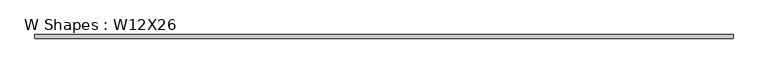
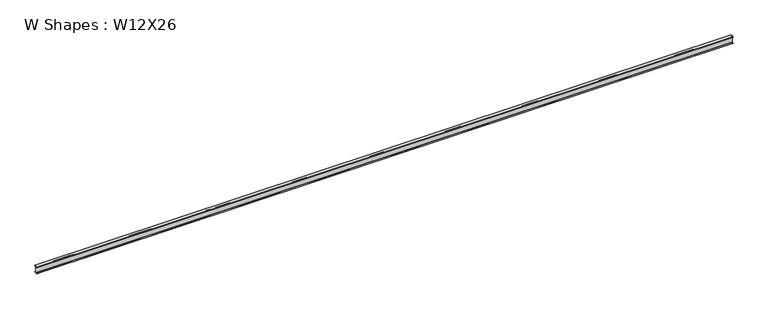
"""IFC4 building model written with IfcOpenShell, lengths in millimetres: beam geometry, W Shapes : W12X26."""

import ifcopenshell
import ifcopenshell.guid

model = None  # the IFC model being written
_history = None  # IfcOwnerHistory: only IFC2X3 demands one
_inside = {}  # id of a spatial element -> (the spatial element, [elements in it])
_under = {}  # id of a project, library or spatial element -> (it, [spatial elements below it])
_declared = {}  # id of a project -> (the project, [libraries it declares])
_typed = {}  # id of a type object -> (the type object, [elements of that type])
_made_of = {}  # id of a material, layer set ... -> (it, [elements and type objects made of it])


def new_model(schema):
    """Start an empty IFC model of exactly this schema.

    Asked for "IFC4X3", IfcOpenShell would pick the latest addendum, in which some entities
    have other attributes; the version numbers below select the first issue.
    IFC2X3 requires an IfcOwnerHistory on every rooted entity: one is made here for all.
    """
    global model, _history
    if schema == "IFC4X3":
        model = ifcopenshell.file(schema_version=(4, 3, 0, 0))
    else:
        model = ifcopenshell.file(schema=schema)
    _inside.clear()
    _under.clear()
    _declared.clear()
    _typed.clear()
    _made_of.clear()
    _history = None
    if model.schema == "IFC2X3":
        org = make("IfcOrganization", Name="unknown")
        user = make(
            "IfcPersonAndOrganization",
            ThePerson=make("IfcPerson", FamilyName="unknown"),
            TheOrganization=org,
        )
        app = make(
            "IfcApplication",
            ApplicationDeveloper=org,
            Version="unknown",
            ApplicationFullName="unknown",
            ApplicationIdentifier="unknown",
        )
        _history = make(
            "IfcOwnerHistory",
            OwningUser=user,
            OwningApplication=app,
            ChangeAction="ADDED",
            CreationDate=0,
        )
    return model


def make(cls, **values):
    """One entity of the class cls with the attributes given. An attribute that is None is left unset."""
    return model.create_entity(
        cls, **{name: value for name, value in values.items() if value is not None}
    )


def rooted(cls, **values):
    """An entity with a GlobalId (a new one), such as an element, a storey or a relation."""
    return make(cls, GlobalId=ifcopenshell.guid.new(), OwnerHistory=_history, **values)


def si_unit(unit_type, name, prefix=None):
    """IfcSIUnit, for example si_unit("LENGTHUNIT", "METRE", prefix="MILLI")."""
    return make("IfcSIUnit", UnitType=unit_type, Prefix=prefix, Name=name)


def assignment(units):
    """IfcUnitAssignment: the units of a project."""
    return None if units is None else make("IfcUnitAssignment", Units=units)


def point(xyz):
    """IfcCartesianPoint."""
    return None if xyz is None else make("IfcCartesianPoint", Coordinates=xyz)


def direction(xyz):
    """IfcDirection."""
    return None if xyz is None else make("IfcDirection", DirectionRatios=xyz)


def frame(location, z_axis=None, x_axis=None):
    """IfcAxis2Placement3D, a coordinate frame: its origin and axes. An axis left out is left unset."""
    return make(
        "IfcAxis2Placement3D",
        Location=point(location),
        Axis=direction(z_axis),
        RefDirection=direction(x_axis),
    )


def frame_2d(location, x_axis=None):
    """IfcAxis2Placement2D, a coordinate frame in the plane: its origin and x axis."""
    return make(
        "IfcAxis2Placement2D", Location=point(location), RefDirection=direction(x_axis)
    )


def origin():
    """The frame at (0, 0, 0) with its axes left unset."""
    return frame((0.0, 0.0, 0.0))


def place(relative_to, where):
    """IfcLocalPlacement: puts the frame where relative to a parent placement (None: the world)."""
    return make(
        "IfcLocalPlacement", PlacementRelTo=relative_to, RelativePlacement=where
    )


def context(
    kind, dimensions, precision=None, world=None, true_north=None, identifier=None
):
    """IfcGeometricRepresentationContext, for example the 3D "Model" context."""
    return make(
        "IfcGeometricRepresentationContext",
        ContextIdentifier=identifier,
        ContextType=kind,
        CoordinateSpaceDimension=dimensions,
        Precision=precision,
        WorldCoordinateSystem=world,
        TrueNorth=true_north,
    )


def project(units=None, contexts=None):
    """IfcProject with its units and contexts."""
    return rooted(
        "IfcProject",
        Name="project",
        RepresentationContexts=contexts,
        UnitsInContext=assignment(units),
    )


def spatial(cls, under=None, at=None, **own):
    """A site, building, storey or space (cls), placed at a placement, below another one or the project."""
    s = rooted(cls, ObjectPlacement=at, **own)
    if under is not None:
        _under.setdefault(under.id(), (under, []))[1].append(s)
    return s


def polyline(points):
    """IfcPolyline through the points."""
    return make("IfcPolyline", Points=[point(p) for p in points])


def circle_curve(where, radius):
    """IfcCircle in the frame where."""
    return make("IfcCircle", Position=where, Radius=radius)


def trimmed(basis, trim1, trim2, sense, master):
    """IfcTrimmedCurve: the piece of a basis curve between two trims."""
    return make(
        "IfcTrimmedCurve",
        BasisCurve=basis,
        Trim1=trim1,
        Trim2=trim2,
        SenseAgreement=sense,
        MasterRepresentation=master,
    )


def segment(curve, same_sense, transition):
    """IfcCompositeCurveSegment."""
    return make(
        "IfcCompositeCurveSegment",
        Transition=transition,
        SameSense=same_sense,
        ParentCurve=curve,
    )


def composite_curve(segments, self_intersect=None):
    """IfcCompositeCurve: segments joined end to end."""
    return make("IfcCompositeCurve", Segments=segments, SelfIntersect=self_intersect)


def outline(outer, holes=None, kind="AREA"):
    """IfcArbitraryClosedProfileDef: a profile drawn as a closed curve; with holes, ...WithVoids."""
    if holes is None:
        return make("IfcArbitraryClosedProfileDef", ProfileType=kind, OuterCurve=outer)
    return make(
        "IfcArbitraryProfileDefWithVoids",
        ProfileType=kind,
        OuterCurve=outer,
        InnerCurves=holes,
    )


def extrude(swept, where, along, depth):
    """IfcExtrudedAreaSolid: the profile swept, set in the frame where, extruded along a direction by depth."""
    return make(
        "IfcExtrudedAreaSolid",
        SweptArea=swept,
        Position=where,
        ExtrudedDirection=direction(along),
        Depth=depth,
    )


def shape(context_of_items, identifier, shape_type, items):
    """IfcShapeRepresentation: the items that make up one representation, for example the "Body"."""
    return make(
        "IfcShapeRepresentation",
        ContextOfItems=context_of_items,
        RepresentationIdentifier=identifier,
        RepresentationType=shape_type,
        Items=items,
    )


def source(mapping_origin, context_of_items, identifier, shape_type, items):
    """IfcRepresentationMap: a shape defined once, which mapped items show again and again."""
    return make(
        "IfcRepresentationMap",
        MappingOrigin=mapping_origin,
        MappedRepresentation=shape(context_of_items, identifier, shape_type, items),
    )


def transform(
    local_origin,
    x_axis=None,
    y_axis=None,
    z_axis=None,
    scale=None,
    scale2=None,
    scale3=None,
    uniform=True,
):
    """IfcCartesianTransformationOperator3D, or its non-uniform kind. x_axis, y_axis, z_axis: its Axis1, 2, 3."""
    if uniform:
        return make(
            "IfcCartesianTransformationOperator3D",
            Axis1=direction(x_axis),
            Axis2=direction(y_axis),
            LocalOrigin=point(local_origin),
            Scale=scale,
            Axis3=direction(z_axis),
        )
    return make(
        "IfcCartesianTransformationOperator3DnonUniform",
        Axis1=direction(x_axis),
        Axis2=direction(y_axis),
        LocalOrigin=point(local_origin),
        Scale=scale,
        Axis3=direction(z_axis),
        Scale2=scale2,
        Scale3=scale3,
    )


def mapped(mapping_source, mapping_target):
    """IfcMappedItem: shows the shape of a source again, moved by a transform."""
    return make(
        "IfcMappedItem", MappingSource=mapping_source, MappingTarget=mapping_target
    )


def made_of(thing, what):
    """Note that an element or type object is made of a material, layer set ...; save() writes the relation."""
    if what is not None:
        _made_of.setdefault(what.id(), (what, []))[1].append(thing)
    return thing


def element(
    cls,
    number,
    at=None,
    inside=None,
    cuts=None,
    type_object=None,
    material=None,
    context=None,
    identifier="Body",
    shape_type=None,
    held_by="IfcProductDefinitionShape",
    body=None,
    shapes=None,
    **own,
):
    """One element of the class cls, such as IfcWall. Its Tag is "e" and its number.

    at: its placement. inside: the storey or other place that contains it. cuts: it is an
    opening in that element (IfcRelVoidsElement). A single representation is given by context,
    identifier, shape_type and body (its items); several are given by shapes. held_by: the class
    of the entity that holds the representations. save() writes the other relations.
    """
    e = rooted(cls, Tag="e%d" % number, ObjectPlacement=at, **own)
    if body is not None:
        shapes = [shape(context, identifier, shape_type, body)]
    if shapes is not None:
        e.Representation = make(held_by, Representations=shapes)
    if inside is not None:
        _inside.setdefault(inside.id(), (inside, []))[1].append(e)
    if cuts is not None:
        rooted(
            "IfcRelVoidsElement", RelatingBuildingElement=cuts, RelatedOpeningElement=e
        )
    if type_object is not None:
        _typed.setdefault(type_object.id(), (type_object, []))[1].append(e)
    return made_of(e, material)


def aggregate(whole, parts):
    """IfcRelAggregates: a whole, such as a stair, and the parts it consists of."""
    return rooted("IfcRelAggregates", RelatingObject=whole, RelatedObjects=parts)


def save(model, path):
    """Write the relations noted so far, then the file.

    IfcRelAggregates (storeys below a building ...), IfcRelContainedInSpatialStructure (elements
    in a storey), IfcRelDefinesByType, IfcRelAssociatesMaterial and IfcRelDeclares: one each for
    every whole, place, type object, material and project.
    """
    for whole, parts in _under.values():
        aggregate(whole, parts)
    for where, things in _inside.values():
        rooted(
            "IfcRelContainedInSpatialStructure",
            RelatedElements=things,
            RelatingStructure=where,
        )
    for kind, things in _typed.values():
        rooted("IfcRelDefinesByType", RelatedObjects=things, RelatingType=kind)
    for what, things in _made_of.values():
        rooted("IfcRelAssociatesMaterial", RelatedObjects=things, RelatingMaterial=what)
    for by, libraries in _declared.values():
        rooted("IfcRelDeclares", RelatingContext=by, RelatedDefinitions=libraries)
    model.write(path)


def w_shapes_w12x26_640597d2(model_context):
    return source(origin(), model_context, "Body", "SweptSolid", [
        extrude(outline(composite_curve([segment(polyline([(82.423, -145.288), (82.423, -154.94), (-82.423, -154.94), (-82.423, -145.288), (-10.541, -145.288)]), True, "CONTINUOUS"), segment(trimmed(circle_curve(frame_2d((-10.541, -137.668)), 7.62), [point((-10.541, -145.288))], [point((-2.921, -137.668))], True, "CARTESIAN"), True, "CONTINUOUS"), segment(polyline([(-2.921, -137.668), (-2.921, 137.668)]), True, "CONTINUOUS"), segment(trimmed(circle_curve(frame_2d((-10.541, 137.668)), 7.62), [point((-2.921, 137.668))], [point((-10.541, 145.288))], True, "CARTESIAN"), True, "CONTINUOUS"), segment(polyline([(-10.541, 145.288), (-82.423, 145.288), (-82.423, 154.94), (82.423, 154.94), (82.423, 145.288), (10.541, 145.288)]), True, "CONTINUOUS"), segment(trimmed(circle_curve(frame_2d((10.541, 137.668)), 7.62), [point((10.541, 145.288))], [point((2.921, 137.668))], True, "CARTESIAN"), True, "CONTINUOUS"), segment(polyline([(2.921, 137.668), (2.921, -137.668)]), True, "CONTINUOUS"), segment(trimmed(circle_curve(frame_2d((10.541, -137.668)), 7.62), [point((2.921, -137.668))], [point((10.541, -145.288))], True, "CARTESIAN"), True, "CONTINUOUS"), segment(polyline([(10.541, -145.288), (82.423, -145.288)]), True, "CONTINUOUS")], self_intersect=False)), frame((-15849.6, 0.0, 0.0), z_axis=(1.0, 0.0, 0.0), x_axis=(0.0, 1.0, 0.0)), (0.0, 0.0, 1.0), 31699.2),
    ])


if __name__ == "__main__":
    model = new_model("IFC4")
    model_context = context("Model", 3, world=origin())
    ifc_project = project(units=[si_unit("LENGTHUNIT", "METRE", prefix="MILLI")], contexts=[model_context])
    site = spatial("IfcSite", under=ifc_project)
    building = spatial("IfcBuilding", under=site)
    placement = place(None, origin())
    w_shapes_w12x26_shape = w_shapes_w12x26_640597d2(model_context)
    element("IfcBeam", 1, ObjectType="W Shapes : W12X26", at=placement, inside=building, context=model_context, shape_type="MappedRepresentation", body=[
        mapped(w_shapes_w12x26_shape, transform((0.0, 0.0, 0.0), x_axis=(1.0, 0.0, 0.0), y_axis=(0.0, 1.0, 0.0), z_axis=(0.0, 0.0, 1.0))),
    ])
    save(model, "model.ifc")
